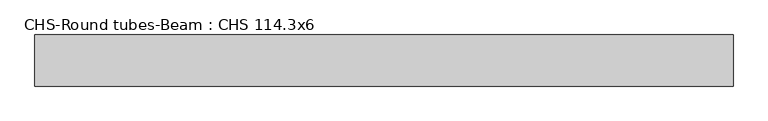
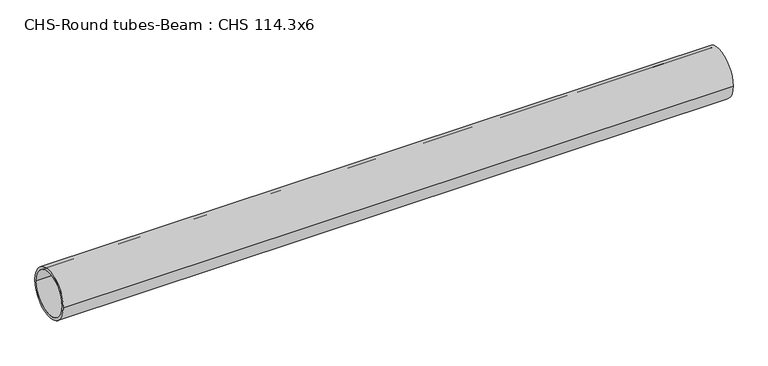
"""IFC4 building model written with IfcOpenShell, lengths in millimetres: beam geometry, CHS-Round tubes-Beam : CHS 114.3x6."""

from ifc_helpers import new_model, si_unit, point, frame, origin, origin_2d, place, context, project, spatial, circle_curve, trimmed, segment, composite_curve, outline, extrude, source, transform, mapped, element, save


def chs_round_tubes_beam_chs_114_3x6_89c2a7de(model_context):
    return source(origin(), model_context, "Body", "SweptSolid", [
        extrude(outline(composite_curve([segment(trimmed(circle_curve(origin_2d(), 57.15), [point((57.15, 0.0))], [point((-57.15, 0.0))], False, "CARTESIAN"), True, "CONTINUOUS"), segment(trimmed(circle_curve(origin_2d(), 57.15), [point((-57.15, 0.0))], [point((57.15, 0.0))], False, "CARTESIAN"), True, "CONTINUOUS")], self_intersect=False), holes=[composite_curve([segment(trimmed(circle_curve(origin_2d(), 51.15), [point((51.15, 0.0))], [point((-51.15, 0.0))], True, "CARTESIAN"), True, "CONTINUOUS"), segment(trimmed(circle_curve(origin_2d(), 51.15), [point((-51.15, 0.0))], [point((51.15, 0.0))], True, "CARTESIAN"), True, "CONTINUOUS")], self_intersect=False)]), frame((-773.3494159, 0.0, 0.0), z_axis=(1.0, 0.0, 0.0), x_axis=(0.0, 1.0, 0.0)), (0.0, 0.0, 1.0), 1561.8838672),
    ])


if __name__ == "__main__":
    model = new_model("IFC4")
    model_context = context("Model", 3, world=origin())
    ifc_project = project(units=[si_unit("LENGTHUNIT", "METRE", prefix="MILLI")], contexts=[model_context])
    site = spatial("IfcSite", under=ifc_project)
    building = spatial("IfcBuilding", under=site)
    placement = place(None, origin())
    chs_round_tubes_beam_chs_114_3x6_shape = chs_round_tubes_beam_chs_114_3x6_89c2a7de(model_context)
    element("IfcBeam", 1, ObjectType="CHS-Round tubes-Beam : CHS 114.3x6", at=placement, inside=building, context=model_context, shape_type="MappedRepresentation", body=[
        mapped(chs_round_tubes_beam_chs_114_3x6_shape, transform((0.0, 0.0, 0.0), x_axis=(1.0, 0.0, 0.0), y_axis=(0.0, 1.0, 0.0), z_axis=(0.0, 0.0, 1.0))),
    ])
    save(model, "model.ifc")
